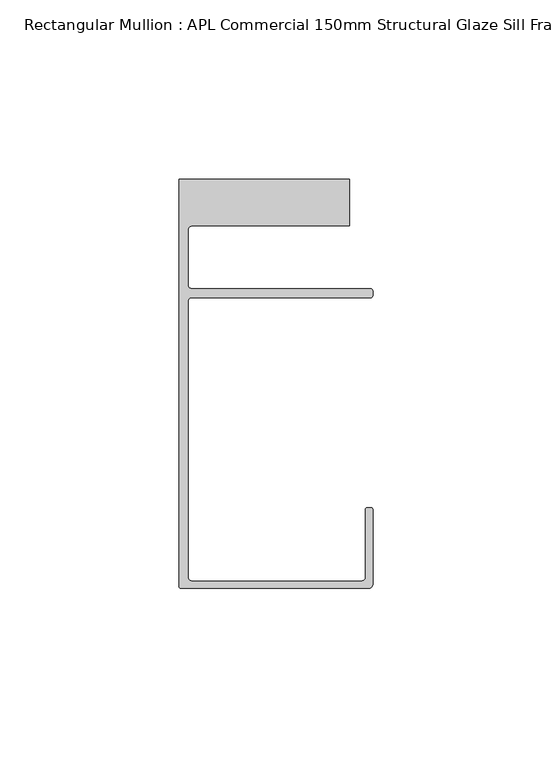
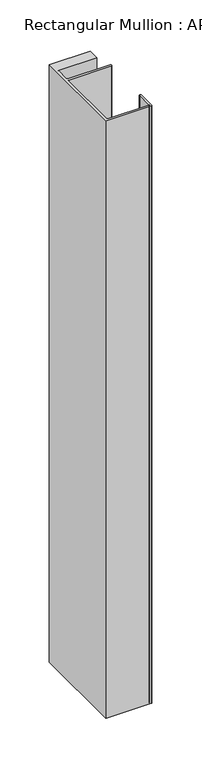
"""IFC4 building model written with IfcOpenShell, lengths in millimetres: member geometry, Rectangular Mullion : APL Commercial 150mm Structural Glaze Sill Frame (Back)."""

from ifc_helpers import new_model, si_unit, frame, origin, place, context, project, spatial, polyline, circle_curve, source, transform, mapped, element, save
from ifc_brep_helpers import plane_surface, cylinder_surface, revolved_surface, advanced_brep


def rectangular_mullion_apl_commercial_150mm_structural_glaze_af23358a(model_context):
    return source(origin(), model_context, "Body", "AdvancedBrep", [
        advanced_brep(
        [(-53.5000083, -129.0001071, 0.0), (-1.0000079, -129.0001071, 0.0), (-7.9e-06, -128.0001071, 0.0), (0.0, -107.0001071, 0.0), (-0.5, -106.5001071, 0.0), (-1.4999822, -106.5001071, 0.0), (-1.9999822, -107.0001071, 0.0), (-1.9999982, -126.0001071, 0.0), (-2.9999982, -127.0001071, 0.0), (-50.5000083, -127.00011, 0.0), (-51.5000083, -126.00011, 0.0), (-51.5000225, -48.9999541, 0.0), (-50.482081, -48.000115, 0.0), (-0.5000012, -48.000115, 0.0), (-5.4e-06, -47.5021598, 0.0), (-5.4e-06, -46.0213357, 0.0), (-0.521387, -45.4999541, 0.0), (-50.500032, -45.4999541, 0.0), (-51.500032, -44.4999541, 0.0), (-51.500032, -29.0004332, 0.0), (-50.500032, -28.0004332, 0.0), (-6.5000083, -28.0004332, 0.0), (-6.5000083, -15.0004332, 0.0), (-54.0000083, -15.0004332, 0.0), (-54.0000083, -128.5001071, 0.0), (-53.5000083, -129.0001071, -737.4042121), (-54.0000083, -128.5001071, -737.4042121), (-54.0000083, -15.0004332, -737.4042121), (-6.5000083, -15.0004332, -737.4042121), (-6.5000083, -28.0004332, -737.4042121), (-50.500032, -28.0004332, -737.4042121), (-51.500032, -29.0004332, -737.4042121), (-51.500032, -44.4999541, -737.4042121), (-50.500032, -45.4999541, -737.4042121), (-0.521387, -45.4999541, -737.4042121), (-5.4e-06, -46.0213357, -737.4042121), (-5.4e-06, -47.5021598, -737.4042121), (-0.5000012, -48.000115, -737.4042121), (-50.482081, -48.000115, -737.4042121), (-51.5000225, -48.9999541, -737.4042121), (-51.5000225, -126.00011, -737.4042121), (-50.5000083, -127.00011, -737.4042121), (-2.9999982, -127.00011, -737.4042121), (-1.9999982, -126.0001071, -737.4042121), (-1.9999982, -107.0001071, -737.4042121), (-1.4999822, -106.5001071, -737.4042121), (-0.5, -106.5001071, -737.4042121), (0.0, -107.0001071, -737.4042121), (0.0, -128.0001071, -737.4042121), (-1.0000079, -129.0001071, -737.4042121)],
        [
            (0, 1),
            (1, 2, circle_curve(frame((-1.0000079, -128.0001071, 0.0), z_axis=(0.0, 0.0, 1.0), x_axis=(0.9999999999996143, -8.78371761103865e-07, 0.0)), 1.0)),
            (2, 3),
            (3, 4, circle_curve(frame((-0.5, -107.0001071, 0.0), z_axis=(0.0, 0.0, 1.0), x_axis=(0.0, 1.0, 0.0)), 0.5)),
            (4, 5),
            (5, 6, circle_curve(frame((-1.4999822, -107.0001071, 0.0), z_axis=(0.0, 0.0, 1.0), x_axis=(-1.0, 1.039279773351609e-08, 0.0)), 0.5)),
            (6, 7),
            (7, 8, circle_curve(frame((-2.9999982, -126.0001071, 0.0), z_axis=(0.0, 0.0, -1.0), x_axis=(0.0, -1.0, 0.0)), 1.0)),
            (8, 9),
            (9, 10, circle_curve(frame((-50.5000083, -126.00011, 0.0), z_axis=(0.0, 0.0, -1.0), x_axis=(-1.0, -3.636202450239078e-12, 0.0)), 1.0)),
            (10, 11),
            (11, 12, circle_curve(frame((-50.5000225, -48.9999541, 0.0), z_axis=(0.0, 0.0, -1.0), x_axis=(3.5344775231070867e-06, 0.9999999999937538, 0.0)), 1.0)),
            (12, 13),
            (13, 14, circle_curve(frame((-0.5000012, -47.500115, 0.0), z_axis=(0.0, 0.0, 1.0), x_axis=(0.9999999999999991, 4.5120271963110614e-08, 0.0)), 0.5)),
            (14, 15),
            (15, 16, circle_curve(frame((-0.521387, -46.0213357, 0.0), z_axis=(0.0, 0.0, 1.0), x_axis=(-1.0, 0.0, 0.0)), 0.5213816)),
            (16, 17),
            (17, 18, circle_curve(frame((-50.500032, -44.4999541, 0.0), z_axis=(0.0, 0.0, -1.0), x_axis=(-0.9999999999998819, -4.863123717036027e-07, 0.0)), 1.0)),
            (18, 19),
            (19, 20, circle_curve(frame((-50.500032, -29.0004332, 0.0), z_axis=(0.0, 0.0, -1.0), x_axis=(0.0, 1.0, 0.0)), 1.0)),
            (20, 21),
            (21, 22),
            (22, 23),
            (23, 24),
            (24, 0, circle_curve(frame((-53.5000083, -128.5001071, 0.0), z_axis=(0.0, 0.0, 1.0), x_axis=(0.0, -1.0, 0.0)), 0.5)),
            (25, 26, circle_curve(frame((-53.5000083, -128.5001071, -737.4042121), z_axis=(0.0, 0.0, -1.0), x_axis=(0.0, -1.0, 0.0)), 0.5)),
            (26, 27),
            (27, 28),
            (28, 29),
            (29, 30),
            (30, 31, circle_curve(frame((-50.500032, -29.0004332, -737.4042121), z_axis=(0.0, 0.0, 1.0), x_axis=(0.0, 1.0, 0.0)), 1.0)),
            (31, 32),
            (32, 33, circle_curve(frame((-50.500032, -44.4999541, -737.4042121), z_axis=(0.0, 0.0, 1.0), x_axis=(-0.9999999999998819, -4.863123717036027e-07, 0.0)), 1.0)),
            (33, 34),
            (34, 35, circle_curve(frame((-0.521387, -46.0213357, -737.4042121), z_axis=(0.0, 0.0, -1.0), x_axis=(-1.0, 0.0, 0.0)), 0.5213816)),
            (35, 36),
            (36, 37, circle_curve(frame((-0.5000012, -47.500115, -737.4042121), z_axis=(0.0, 0.0, -1.0), x_axis=(0.9999999999999991, 4.5120271963110614e-08, 0.0)), 0.5)),
            (37, 38),
            (38, 39, circle_curve(frame((-50.5000225, -48.9999541, -737.4042121), z_axis=(0.0, 0.0, 1.0), x_axis=(3.5344775231070867e-06, 0.9999999999937538, 0.0)), 1.0)),
            (39, 40),
            (40, 41, circle_curve(frame((-50.5000083, -126.00011, -737.4042121), z_axis=(0.0, 0.0, 1.0), x_axis=(-1.0, -3.636202450239078e-12, 0.0)), 1.0)),
            (41, 42),
            (42, 43, circle_curve(frame((-2.9999982, -126.0001071, -737.4042121), z_axis=(0.0, 0.0, 1.0), x_axis=(0.0, -1.0, 0.0)), 1.0)),
            (43, 44),
            (44, 45, circle_curve(frame((-1.4999822, -107.0001071, -737.4042121), z_axis=(0.0, 0.0, -1.0), x_axis=(-1.0, 1.039279773351609e-08, 0.0)), 0.5)),
            (45, 46),
            (46, 47, circle_curve(frame((-0.5, -107.0001071, -737.4042121), z_axis=(0.0, 0.0, -1.0), x_axis=(0.0, 1.0, 0.0)), 0.5)),
            (47, 48),
            (48, 49, circle_curve(frame((-1.0000079, -128.0001071, -737.4042121), z_axis=(0.0, 0.0, -1.0), x_axis=(0.9999999999996143, -8.78371761103865e-07, 0.0)), 1.0)),
            (49, 25),
            (0, 25),
            (49, 1),
            (48, 2),
            (47, 3),
            (46, 4),
            (45, 5),
            (44, 6),
            (43, 7),
            (42, 8),
            (41, 9),
            (40, 10),
            (39, 11),
            (38, 12),
            (37, 13),
            (36, 14),
            (35, 15),
            (34, 16),
            (33, 17),
            (32, 18),
            (31, 19),
            (30, 20),
            (29, 21),
            (28, 22),
            (27, 23),
            (26, 24),
        ],
        [
            plane_surface(frame((0.0, -139.6548314, 0.0), z_axis=(0.0, 0.0, 1.0), x_axis=(-1.0, 0.0, 0.0))),
            plane_surface(frame((0.0, -139.6548314, -737.4042121), z_axis=(0.0, 0.0, -1.0), x_axis=(-1.0, 0.0, 0.0))),
            plane_surface(frame((-53.5000083, -129.0001071, 0.0), z_axis=(0.0, -1.0, 0.0), x_axis=(0.0, 0.0, -1.0))),
            cylinder_surface(frame((-1.0000079, -128.0001071, 0.0), z_axis=(0.0, 0.0, 1.0000000000000002), x_axis=(0.9999999999996143, -8.78371761103865e-07, 0.0)), 1.0),
            plane_surface(frame((0.0, -128.0001071, 0.0), z_axis=(1.0, 0.0, 0.0), x_axis=(0.0, 0.0, -1.0))),
            cylinder_surface(frame((-0.5, -107.0001071, 0.0), z_axis=(0.0, 0.0, 1.0), x_axis=(0.0, 1.0, 0.0)), 0.5),
            plane_surface(frame((-0.5, -106.5001071, 0.0), z_axis=(0.0, 1.0, 0.0), x_axis=(0.0, 0.0, -1.0))),
            cylinder_surface(frame((-1.4999822, -107.0001071, 0.0), z_axis=(0.0, 0.0, 1.0), x_axis=(-1.0, 1.039279773351609e-08, 0.0)), 0.5),
            plane_surface(frame((-1.9999982, -107.0001071, 0.0), z_axis=(-1.0, 0.0, 0.0), x_axis=(0.0, 0.0, -1.0))),
            revolved_surface(polyline([(-2.9999982, -127.0001071, -737.4042121), (-2.9999982, -127.0001071, 0.0)]), (-2.9999982, -126.0001071, 0.0), (0.0, 0.0, -1.0)),
            plane_surface(frame((-2.9999982, -127.00011, 0.0), z_axis=(0.0, 1.0, 0.0), x_axis=(0.0, 0.0, -1.0))),
            revolved_surface(polyline([(-51.5000083, -126.00011000000364, -737.4042121), (-51.5000083, -126.00011000000364, 0.0)]), (-50.5000083, -126.00011, 0.0), (0.0, 0.0, -1.0)),
            plane_surface(frame((-51.5000225, -126.00011, 0.0), z_axis=(1.0, 0.0, 0.0), x_axis=(0.0, 0.0, -1.0))),
            revolved_surface(polyline([(-50.50001896552248, -47.99995410000624, -737.4042121), (-50.50001896552248, -47.99995410000624, 0.0)]), (-50.5000225, -48.9999541, 0.0), (0.0, 0.0, -1.0)),
            plane_surface(frame((-50.482081, -48.000115, 0.0), z_axis=(0.0, -1.0, 0.0), x_axis=(0.0, 0.0, -1.0))),
            cylinder_surface(frame((-0.5000012, -47.500115, 0.0), z_axis=(0.0, 0.0, 1.0000000000000002), x_axis=(0.9999999999999991, 4.5120271963110614e-08, 0.0)), 0.5),
            plane_surface(frame((-5.4e-06, -47.5021598, 0.0), z_axis=(1.0, 0.0, 0.0), x_axis=(0.0, 0.0, -1.0))),
            cylinder_surface(frame((-0.521387, -46.0213357, 0.0), z_axis=(0.0, 0.0, 1.0), x_axis=(-1.0, 0.0, 0.0)), 0.5213816),
            plane_surface(frame((-0.521387, -45.4999541, 0.0), z_axis=(0.0, 1.0, 0.0), x_axis=(0.0, 0.0, -1.0))),
            revolved_surface(polyline([(-51.50003199999988, -44.49995458631237, -737.4042121000002), (-51.50003199999988, -44.49995458631237, 0.0)]), (-50.500032, -44.4999541, 0.0), (0.0, 0.0, -1.0000000000000002)),
            plane_surface(frame((-51.500032, -44.4999541, 0.0), z_axis=(1.0, 0.0, 0.0), x_axis=(0.0, 0.0, -1.0))),
            revolved_surface(polyline([(-50.500032, -28.0004332, -737.4042121), (-50.500032, -28.0004332, 0.0)]), (-50.500032, -29.0004332, 0.0), (0.0, 0.0, -1.0)),
            plane_surface(frame((-50.500032, -28.0004332, 0.0), z_axis=(0.0, -1.0, 0.0), x_axis=(0.0, 0.0, -1.0))),
            plane_surface(frame((-6.5000083, -28.0004332, 0.0), z_axis=(1.0, 0.0, 0.0), x_axis=(0.0, 0.0, -1.0))),
            plane_surface(frame((-6.5000083, -15.0004332, 0.0), z_axis=(0.0, 1.0, 0.0), x_axis=(0.0, 0.0, -1.0))),
            plane_surface(frame((-54.0000083, -15.0004332, 0.0), z_axis=(-1.0, 0.0, 0.0), x_axis=(0.0, 0.0, -1.0))),
            cylinder_surface(frame((-53.5000083, -128.5001071, 0.0), z_axis=(0.0, 0.0, 1.0), x_axis=(0.0, -1.0, 0.0)), 0.5),
        ],
        [
            (0, [[1, 2, 3, 4, 5, 6, 7, 8, 9, 10, 11, 12, 13, 14, 15, 16, 17, 18, 19, 20, 21, 22, 23, 24, 25]]),
            (1, [[26, 27, 28, 29, 30, 31, 32, 33, 34, 35, 36, 37, 38, 39, 40, 41, 42, 43, 44, 45, 46, 47, 48, 49, 50]]),
            (2, [[-1, 51, -50, 52]]),
            (3, [[-2, -52, -49, 53]]),
            (4, [[-3, -53, -48, 54]]),
            (5, [[-4, -54, -47, 55]]),
            (6, [[-5, -55, -46, 56]]),
            (7, [[-6, -56, -45, 57]]),
            (8, [[-7, -57, -44, 58]]),
            (9, [[-8, -58, -43, 59]]),
            (10, [[-9, -59, -42, 60]]),
            (11, [[-10, -60, -41, 61]]),
            (12, [[-11, -61, -40, 62]]),
            (13, [[-12, -62, -39, 63]]),
            (14, [[-13, -63, -38, 64]]),
            (15, [[-14, -64, -37, 65]]),
            (16, [[-15, -65, -36, 66]]),
            (17, [[-16, -66, -35, 67]]),
            (18, [[-17, -67, -34, 68]]),
            (19, [[-18, -68, -33, 69]]),
            (20, [[-19, -69, -32, 70]]),
            (21, [[-20, -70, -31, 71]]),
            (22, [[-21, -71, -30, 72]]),
            (23, [[-22, -72, -29, 73]]),
            (24, [[-23, -73, -28, 74]]),
            (25, [[-24, -74, -27, 75]]),
            (26, [[-25, -75, -26, -51]]),
        ],
    ),
    ])


if __name__ == "__main__":
    model = new_model("IFC4")
    model_context = context("Model", 3, world=origin())
    ifc_project = project(units=[si_unit("LENGTHUNIT", "METRE", prefix="MILLI")], contexts=[model_context])
    site = spatial("IfcSite", under=ifc_project)
    building = spatial("IfcBuilding", under=site)
    placement = place(None, origin())
    rectangular_mullion_apl_commercial_150mm_structural_glaze_shape = rectangular_mullion_apl_commercial_150mm_structural_glaze_af23358a(model_context)
    element("IfcMember", 1, ObjectType="Rectangular Mullion : APL Commercial 150mm Structural Glaze Sill Frame (Back)", at=placement, inside=building, context=model_context, shape_type="MappedRepresentation", body=[
        mapped(rectangular_mullion_apl_commercial_150mm_structural_glaze_shape, transform((0.0, 0.0, 0.0), x_axis=(1.0, 0.0, 0.0), y_axis=(0.0, 1.0, 0.0), z_axis=(0.0, 0.0, 1.0))),
    ])
    save(model, "model.ifc")
